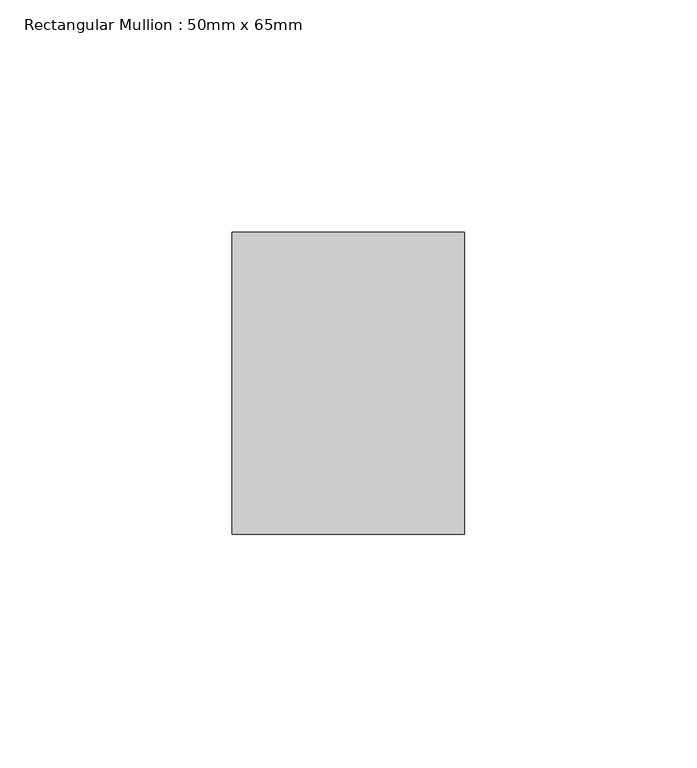
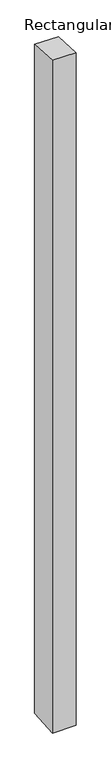
"""IFC4 building model written with IfcOpenShell, lengths in millimetres: member geometry, Rectangular Mullion : 50mm x 65mm."""

from ifc_helpers import new_model, si_unit, origin, place, context, project, spatial, faceted_brep, source, transform, mapped, element, save


def rectangular_mullion_50mm_x_65mm_22ce4fa5(model_context):
    return source(origin(), model_context, "Body", "Brep", [
        faceted_brep([(-25.0, 32.5, -1.8978703), (25.0, 32.5, -1.8978739), (25.0, 32.5, -1497.5677439), (-25.0, 32.5, -1497.5677485), (-25.0, -32.5, 1.8978739), (-25.0, -32.5, -1502.431647), (25.0, -32.5, 1.8978703), (25.0, -32.5, -1502.4316423)], [[[0, 1, 2, 3]], [[4, 0, 3, 5]], [[6, 4, 5, 7]], [[1, 6, 7, 2]], [[1, 0, 4, 6]], [[2, 7, 5, 3]]]),
    ])


if __name__ == "__main__":
    model = new_model("IFC4")
    model_context = context("Model", 3, world=origin())
    ifc_project = project(units=[si_unit("LENGTHUNIT", "METRE", prefix="MILLI")], contexts=[model_context])
    site = spatial("IfcSite", under=ifc_project)
    building = spatial("IfcBuilding", under=site)
    placement = place(None, origin())
    rectangular_mullion_50mm_x_65mm_shape = rectangular_mullion_50mm_x_65mm_22ce4fa5(model_context)
    element("IfcMember", 1, ObjectType="Rectangular Mullion : 50mm x 65mm", at=placement, inside=building, context=model_context, shape_type="MappedRepresentation", body=[
        mapped(rectangular_mullion_50mm_x_65mm_shape, transform((0.0, 0.0, 0.0), x_axis=(1.0, 0.0, 0.0), y_axis=(0.0, 1.0, 0.0), z_axis=(0.0, 0.0, 1.0))),
    ])
    save(model, "model.ifc")
